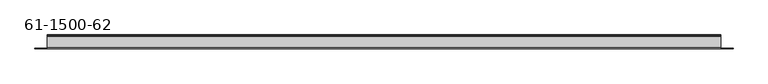
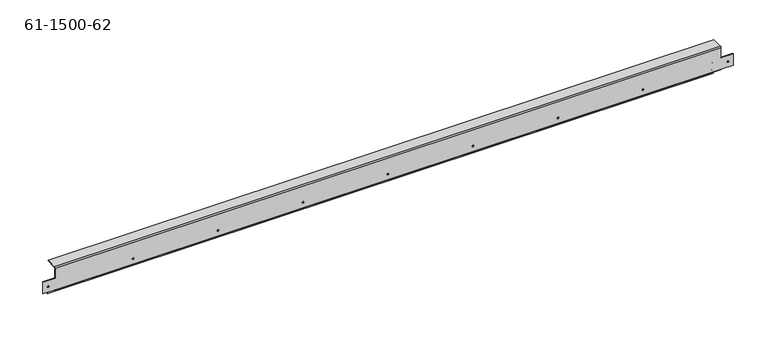
"""IFC4 building model written with IfcOpenShell, lengths in millimetres: proxy geometry, 61-1500-62."""

import ifcopenshell
import ifcopenshell.guid

model = None  # the IFC model being written
_history = None  # IfcOwnerHistory: only IFC2X3 demands one
_inside = {}  # id of a spatial element -> (the spatial element, [elements in it])
_under = {}  # id of a project, library or spatial element -> (it, [spatial elements below it])
_declared = {}  # id of a project -> (the project, [libraries it declares])
_typed = {}  # id of a type object -> (the type object, [elements of that type])
_made_of = {}  # id of a material, layer set ... -> (it, [elements and type objects made of it])


def new_model(schema):
    """Start an empty IFC model of exactly this schema.

    Asked for "IFC4X3", IfcOpenShell would pick the latest addendum, in which some entities
    have other attributes; the version numbers below select the first issue.
    IFC2X3 requires an IfcOwnerHistory on every rooted entity: one is made here for all.
    """
    global model, _history
    if schema == "IFC4X3":
        model = ifcopenshell.file(schema_version=(4, 3, 0, 0))
    else:
        model = ifcopenshell.file(schema=schema)
    _inside.clear()
    _under.clear()
    _declared.clear()
    _typed.clear()
    _made_of.clear()
    _history = None
    if model.schema == "IFC2X3":
        org = make("IfcOrganization", Name="unknown")
        user = make(
            "IfcPersonAndOrganization",
            ThePerson=make("IfcPerson", FamilyName="unknown"),
            TheOrganization=org,
        )
        app = make(
            "IfcApplication",
            ApplicationDeveloper=org,
            Version="unknown",
            ApplicationFullName="unknown",
            ApplicationIdentifier="unknown",
        )
        _history = make(
            "IfcOwnerHistory",
            OwningUser=user,
            OwningApplication=app,
            ChangeAction="ADDED",
            CreationDate=0,
        )
    return model


def make(cls, **values):
    """One entity of the class cls with the attributes given. An attribute that is None is left unset."""
    return model.create_entity(
        cls, **{name: value for name, value in values.items() if value is not None}
    )


def rooted(cls, **values):
    """An entity with a GlobalId (a new one), such as an element, a storey or a relation."""
    return make(cls, GlobalId=ifcopenshell.guid.new(), OwnerHistory=_history, **values)


def si_unit(unit_type, name, prefix=None):
    """IfcSIUnit, for example si_unit("LENGTHUNIT", "METRE", prefix="MILLI")."""
    return make("IfcSIUnit", UnitType=unit_type, Prefix=prefix, Name=name)


def assignment(units):
    """IfcUnitAssignment: the units of a project."""
    return None if units is None else make("IfcUnitAssignment", Units=units)


def point(xyz):
    """IfcCartesianPoint."""
    return None if xyz is None else make("IfcCartesianPoint", Coordinates=xyz)


def direction(xyz):
    """IfcDirection."""
    return None if xyz is None else make("IfcDirection", DirectionRatios=xyz)


def frame(location, z_axis=None, x_axis=None):
    """IfcAxis2Placement3D, a coordinate frame: its origin and axes. An axis left out is left unset."""
    return make(
        "IfcAxis2Placement3D",
        Location=point(location),
        Axis=direction(z_axis),
        RefDirection=direction(x_axis),
    )


def origin():
    """The frame at (0, 0, 0) with its axes left unset."""
    return frame((0.0, 0.0, 0.0))


def place(relative_to, where):
    """IfcLocalPlacement: puts the frame where relative to a parent placement (None: the world)."""
    return make(
        "IfcLocalPlacement", PlacementRelTo=relative_to, RelativePlacement=where
    )


def context(
    kind, dimensions, precision=None, world=None, true_north=None, identifier=None
):
    """IfcGeometricRepresentationContext, for example the 3D "Model" context."""
    return make(
        "IfcGeometricRepresentationContext",
        ContextIdentifier=identifier,
        ContextType=kind,
        CoordinateSpaceDimension=dimensions,
        Precision=precision,
        WorldCoordinateSystem=world,
        TrueNorth=true_north,
    )


def project(units=None, contexts=None):
    """IfcProject with its units and contexts."""
    return rooted(
        "IfcProject",
        Name="project",
        RepresentationContexts=contexts,
        UnitsInContext=assignment(units),
    )


def spatial(cls, under=None, at=None, **own):
    """A site, building, storey or space (cls), placed at a placement, below another one or the project."""
    s = rooted(cls, ObjectPlacement=at, **own)
    if under is not None:
        _under.setdefault(under.id(), (under, []))[1].append(s)
    return s


def polyline(points):
    """IfcPolyline through the points."""
    return make("IfcPolyline", Points=[point(p) for p in points])


def circle_curve(where, radius):
    """IfcCircle in the frame where."""
    return make("IfcCircle", Position=where, Radius=radius)


def shape(context_of_items, identifier, shape_type, items):
    """IfcShapeRepresentation: the items that make up one representation, for example the "Body"."""
    return make(
        "IfcShapeRepresentation",
        ContextOfItems=context_of_items,
        RepresentationIdentifier=identifier,
        RepresentationType=shape_type,
        Items=items,
    )


def source(mapping_origin, context_of_items, identifier, shape_type, items):
    """IfcRepresentationMap: a shape defined once, which mapped items show again and again."""
    return make(
        "IfcRepresentationMap",
        MappingOrigin=mapping_origin,
        MappedRepresentation=shape(context_of_items, identifier, shape_type, items),
    )


def transform(
    local_origin,
    x_axis=None,
    y_axis=None,
    z_axis=None,
    scale=None,
    scale2=None,
    scale3=None,
    uniform=True,
):
    """IfcCartesianTransformationOperator3D, or its non-uniform kind. x_axis, y_axis, z_axis: its Axis1, 2, 3."""
    if uniform:
        return make(
            "IfcCartesianTransformationOperator3D",
            Axis1=direction(x_axis),
            Axis2=direction(y_axis),
            LocalOrigin=point(local_origin),
            Scale=scale,
            Axis3=direction(z_axis),
        )
    return make(
        "IfcCartesianTransformationOperator3DnonUniform",
        Axis1=direction(x_axis),
        Axis2=direction(y_axis),
        LocalOrigin=point(local_origin),
        Scale=scale,
        Axis3=direction(z_axis),
        Scale2=scale2,
        Scale3=scale3,
    )


def mapped(mapping_source, mapping_target):
    """IfcMappedItem: shows the shape of a source again, moved by a transform."""
    return make(
        "IfcMappedItem", MappingSource=mapping_source, MappingTarget=mapping_target
    )


def made_of(thing, what):
    """Note that an element or type object is made of a material, layer set ...; save() writes the relation."""
    if what is not None:
        _made_of.setdefault(what.id(), (what, []))[1].append(thing)
    return thing


def element(
    cls,
    number,
    at=None,
    inside=None,
    cuts=None,
    type_object=None,
    material=None,
    context=None,
    identifier="Body",
    shape_type=None,
    held_by="IfcProductDefinitionShape",
    body=None,
    shapes=None,
    **own,
):
    """One element of the class cls, such as IfcWall. Its Tag is "e" and its number.

    at: its placement. inside: the storey or other place that contains it. cuts: it is an
    opening in that element (IfcRelVoidsElement). A single representation is given by context,
    identifier, shape_type and body (its items); several are given by shapes. held_by: the class
    of the entity that holds the representations. save() writes the other relations.
    """
    e = rooted(cls, Tag="e%d" % number, ObjectPlacement=at, **own)
    if body is not None:
        shapes = [shape(context, identifier, shape_type, body)]
    if shapes is not None:
        e.Representation = make(held_by, Representations=shapes)
    if inside is not None:
        _inside.setdefault(inside.id(), (inside, []))[1].append(e)
    if cuts is not None:
        rooted(
            "IfcRelVoidsElement", RelatingBuildingElement=cuts, RelatedOpeningElement=e
        )
    if type_object is not None:
        _typed.setdefault(type_object.id(), (type_object, []))[1].append(e)
    return made_of(e, material)


def aggregate(whole, parts):
    """IfcRelAggregates: a whole, such as a stair, and the parts it consists of."""
    return rooted("IfcRelAggregates", RelatingObject=whole, RelatedObjects=parts)


def save(model, path):
    """Write the relations noted so far, then the file.

    IfcRelAggregates (storeys below a building ...), IfcRelContainedInSpatialStructure (elements
    in a storey), IfcRelDefinesByType, IfcRelAssociatesMaterial and IfcRelDeclares: one each for
    every whole, place, type object, material and project.
    """
    for whole, parts in _under.values():
        aggregate(whole, parts)
    for where, things in _inside.values():
        rooted(
            "IfcRelContainedInSpatialStructure",
            RelatedElements=things,
            RelatingStructure=where,
        )
    for kind, things in _typed.values():
        rooted("IfcRelDefinesByType", RelatedObjects=things, RelatingType=kind)
    for what, things in _made_of.values():
        rooted("IfcRelAssociatesMaterial", RelatedObjects=things, RelatingMaterial=what)
    for by, libraries in _declared.values():
        rooted("IfcRelDeclares", RelatingContext=by, RelatedDefinitions=libraries)
    model.write(path)


def plane_surface(at):
    """IfcPlane: the flat surface through the origin of the frame at, square to its z axis."""
    return make("IfcPlane", Position=at)


def cylinder_surface(at, radius):
    """IfcCylindricalSurface: all points at the distance radius from the z axis of the frame at."""
    return make("IfcCylindricalSurface", Position=at, Radius=radius)


def revolved_surface(curve, axis_point, axis_direction):
    """IfcSurfaceOfRevolution: the curve turned about the line through axis_point along axis_direction."""
    return make(
        "IfcSurfaceOfRevolution",
        SweptCurve=make("IfcArbitraryOpenProfileDef", ProfileType="CURVE", Curve=curve),
        AxisPosition=make("IfcAxis1Placement", Location=point(axis_point), Axis=direction(axis_direction)),
    )


def advanced_brep(points, edges, surfaces, faces):
    """IfcAdvancedBrep: a solid bounded by faces that lie on surfaces and meet in shared edges.

    An edge is (start, end): straight between two places in points (the first is 0);
    or (start, end, curve); or (start, end, curve, False) where it runs against its curve.
    A face is (place in surfaces, loops), or (place, loops, False) where it looks against
    its surface's normal. A loop lists edges by number (the first is 1), with a minus sign
    where the edge is run from its end to its start. The first loop is the outer one.
    """
    corners = [point(p) for p in points]
    vertices = [make("IfcVertexPoint", VertexGeometry=c) for c in corners]
    made = []
    for start, end, *more in edges:
        made.append(
            make(
                "IfcEdgeCurve",
                EdgeStart=vertices[start],
                EdgeEnd=vertices[end],
                EdgeGeometry=more[0] if more else make("IfcPolyline", Points=[corners[start], corners[end]]),
                SameSense=more[1] if len(more) > 1 else True,
            )
        )
    hull = []
    for where, loops, *sense in faces:
        bounds = []
        for j, loop in enumerate(loops):
            ring = [make("IfcOrientedEdge", EdgeElement=made[abs(k) - 1], Orientation=k > 0) for k in loop]
            bounds.append(
                make(
                    "IfcFaceOuterBound" if j == 0 else "IfcFaceBound",
                    Bound=make("IfcEdgeLoop", EdgeList=ring),
                    Orientation=True,
                )
            )
        hull.append(make("IfcAdvancedFace", Bounds=bounds, FaceSurface=surfaces[where], SameSense=sense[0] if sense else True))
    return make("IfcAdvancedBrep", Outer=make("IfcClosedShell", CfsFaces=hull))


def proxy_61_1500_62_3a8eb80b(model_context):
    return source(origin(), model_context, "Body", "AdvancedBrep", [
        advanced_brep(
        [(351.0562817, 47.2527267, -13.40104), (351.0562817, 46.2468867, -13.40104), (344.7062817, 46.2468867, -13.40104), (344.7062817, 47.2527267, -13.40104), (295.6131617, 47.2527267, -13.40104), (295.6131617, 46.2468867, -13.40104), (289.2631617, 46.2468867, -13.40104), (289.2631617, 47.2527267, -13.40104), (-352.4246583, 47.2527267, -13.40104), (-352.4246583, 46.2468867, -13.40104), (-358.7746583, 46.2468867, -13.40104), (-358.7746583, 47.2527267, -13.40104), (999.0941017, 47.2527267, -13.40104), (999.0941017, 46.2468867, -13.40104), (992.7441017, 46.2468867, -13.40104), (992.7441017, 47.2527267, -13.40104), (944.6149117, 47.2527267, -11.09853), (944.6149117, 46.2468867, -11.09853), (941.1859117, 46.2468867, -11.09853), (941.1859117, 47.2527267, -11.09853), (665.2149117, 47.2527267, -11.09853), (665.2149117, 46.2468867, -11.09853), (661.7859117, 46.2468867, -11.09853), (661.7859117, 47.2527267, -11.09853), (385.8149117, 47.2527267, -11.09853), (385.8149117, 46.2468867, -11.09853), (382.3859117, 46.2468867, -11.09853), (382.3859117, 47.2527267, -11.09853), (118.2335317, 47.2527267, -11.09853), (118.2335317, 46.2468867, -11.09853), (114.8045317, 46.2468867, -11.09853), (114.8045317, 47.2527267, -11.09853), (-161.1664683, 47.2527267, -11.09853), (-161.1664683, 46.2468867, -11.09853), (-164.5954683, 46.2468867, -11.09853), (-164.5954683, 47.2527267, -11.09853), (-300.8664683, 47.2527267, -11.09853), (-300.8664683, 46.2468867, -11.09853), (-304.2954683, 46.2468867, -11.09853), (-304.2954683, 47.2527267, -11.09853), (-21.4664683, 47.2527267, -11.09853), (-21.4664683, 46.2468867, -11.09853), (-24.8954683, 46.2468867, -11.09853), (-24.8954683, 47.2527267, -11.09853), (257.9335317, 47.2527267, -11.09853), (257.9335317, 46.2468867, -11.09853), (254.5045317, 46.2468867, -11.09853), (254.5045317, 47.2527267, -11.09853), (525.5149117, 47.2527267, -11.09853), (525.5149117, 46.2468867, -11.09853), (522.0859117, 46.2468867, -11.09853), (522.0859117, 47.2527267, -11.09853), (804.9149117, 47.2527267, -11.09853), (804.9149117, 46.2468867, -11.09853), (801.4859117, 46.2468867, -11.09853), (801.4859117, 47.2527267, -11.09853), (238.4212517, 34.4003267, 0.0), (238.4212517, 34.4003267, 1.00584), (234.9922517, 34.4003267, 1.00584), (234.9922517, 34.4003267, 0.0), (-40.9787483, 34.4003267, 0.0), (-40.9787483, 34.4003267, 1.00584), (-44.4077483, 34.4003267, 1.00584), (-44.4077483, 34.4003267, 0.0), (-320.3787483, 34.4003267, 0.0), (-320.3787483, 34.4003267, 1.00584), (-323.8077483, 34.4003267, 1.00584), (-323.8077483, 34.4003267, 0.0), (545.0271917, 34.4003267, 0.0), (545.0271917, 34.4003267, 1.00584), (541.5981917, 34.4003267, 1.00584), (541.5981917, 34.4003267, 0.0), (824.4271917, 34.4003267, 0.0), (824.4271917, 34.4003267, 1.00584), (820.9981917, 34.4003267, 1.00584), (820.9981917, 34.4003267, 0.0), (964.1271917, 34.4003267, 0.0), (964.1271917, 34.4003267, 1.00584), (960.6981917, 34.4003267, 1.00584), (960.6981917, 34.4003267, 0.0), (684.7271917, 34.4003267, 0.0), (684.7271917, 34.4003267, 1.00584), (681.2981917, 34.4003267, 1.00584), (681.2981917, 34.4003267, 0.0), (405.3271917, 34.4003267, 0.0), (405.3271917, 34.4003267, 1.00584), (401.8981917, 34.4003267, 1.00584), (401.8981917, 34.4003267, 0.0), (-180.6787483, 34.4003267, 0.0), (-180.6787483, 34.4003267, 1.00584), (-184.1077483, 34.4003267, 1.00584), (-184.1077483, 34.4003267, 0.0), (98.7212517, 34.4003267, 0.0), (98.7212517, 34.4003267, 1.00584), (95.2922517, 34.4003267, 1.00584), (95.2922517, 34.4003267, 0.0), (1032.8837217, 19.3127267, 13.70584), (1032.8837217, 18.3068867, 13.70584), (1029.8357217, 18.3068867, 13.70584), (1029.8357217, 19.3127267, 13.70584), (677.2837217, 19.3127267, 13.70584), (677.2837217, 18.3068867, 13.70584), (674.2357217, 18.3068867, 13.70584), (674.2357217, 19.3127267, 13.70584), (321.6837217, 19.3127267, 13.70584), (321.6837217, 18.3068867, 13.70584), (318.6357217, 18.3068867, 13.70584), (318.6357217, 19.3127267, 13.70584), (-33.9162783, 19.3127267, 13.70584), (-33.9162783, 18.3068867, 13.70584), (-36.9642783, 18.3068867, 13.70584), (-36.9642783, 19.3127267, 13.70584), (-389.5162783, 19.3127267, 13.70584), (-389.5162783, 18.3068867, 13.70584), (-392.5642783, 18.3068867, 13.70584), (-392.5642783, 19.3127267, 13.70584), (-211.7162783, 19.3127267, 13.70584), (-211.7162783, 18.3068867, 13.70584), (-214.7642783, 18.3068867, 13.70584), (-214.7642783, 19.3127267, 13.70584), (143.8837217, 19.3127267, 13.70584), (143.8837217, 18.3068867, 13.70584), (140.8357217, 18.3068867, 13.70584), (140.8357217, 19.3127267, 13.70584), (499.4837217, 19.3127267, 13.70584), (499.4837217, 18.3068867, 13.70584), (496.4357217, 18.3068867, 13.70584), (496.4357217, 19.3127267, 13.70584), (855.0837217, 19.3127267, 13.70584), (855.0837217, 18.3068867, 13.70584), (852.0357217, 18.3068867, 13.70584), (852.0357217, 19.3127267, 13.70584), (1042.3198217, 19.3127267, 2.01168), (1042.3198217, 19.3127267, 27.41168), (1042.3198217, 18.3068867, 27.41168), (1042.3198217, 18.3068867, 2.01168), (1016.9198217, 19.3127267, 27.41168), (1016.9198217, 18.3068867, 27.41168), (1016.9198217, 19.3127267, 2.01168), (1016.9198217, 18.3068867, 2.01168), (-376.6003783, 19.3127267, 27.41168), (-402.0003783, 19.3127267, 27.41168), (-402.0003783, 18.3068867, 27.41168), (-376.6003783, 18.3068867, 27.41168), (-402.0003783, 19.3127267, 2.01168), (-402.0003783, 18.3068867, 2.01168), (-376.6003783, 19.3127267, 2.01168), (-376.6003783, 18.3068867, 2.01168), (1016.9198217, 19.3127267, 49.4157), (1016.9198217, 20.3185667, 50.42154), (1016.9198217, 43.7068867, 50.42154), (1016.9198217, 43.7068867, 51.42738), (1016.9198217, 20.3185667, 51.42738), (1016.9198217, 18.3068867, 49.4157), (1016.9198217, 20.3185667, 0.0), (1016.9198217, 45.2410467, 0.0), (1016.9198217, 46.2468867, -1.00584), (1016.9198217, 46.2468867, -10.22604), (1016.9198217, 47.2527267, -10.22604), (1016.9198217, 47.2527267, -1.00584), (1016.9198217, 45.2410467, 1.00584), (1016.9198217, 20.3185667, 1.00584), (-376.6003783, 20.3185667, 1.00584), (-376.6003783, 45.2410467, 1.00584), (-376.6003783, 47.2527267, -1.00584), (-376.6003783, 47.2527267, -24.39416), (-376.6003783, 46.2468867, -24.39416), (-376.6003783, 46.2468867, -1.00584), (-376.6003783, 45.2410467, 0.0), (-376.6003783, 20.3185667, 0.0), (-376.6003783, 18.3068867, 49.4157), (-376.6003783, 20.3185667, 51.42738), (-376.6003783, 43.7068867, 51.42738), (-376.6003783, 43.7068867, 50.42154), (-376.6003783, 20.3185667, 50.42154), (-376.6003783, 19.3127267, 49.4157), (1016.9198217, 46.2468867, -16.57604), (1016.9198217, 47.2527267, -16.57604), (1016.9198217, 46.2468867, -24.39416), (1016.9198217, 47.2527267, -24.39416)],
        [
            (0, 1),
            (1, 2, circle_curve(frame((347.8812817, 46.2468867, -13.40104), z_axis=(0.0, -1.0, 0.0), x_axis=(1.0, 0.0, 0.0)), 3.175)),
            (2, 3),
            (3, 0, circle_curve(frame((347.8812817, 47.2527267, -13.40104), z_axis=(0.0, 1.0, 0.0), x_axis=(1.0, 0.0, 0.0)), 3.175)),
            (4, 5),
            (5, 6, circle_curve(frame((292.4381617, 46.2468867, -13.40104), z_axis=(0.0, -1.0, 0.0), x_axis=(1.0, 0.0, 0.0)), 3.175)),
            (6, 7),
            (7, 4, circle_curve(frame((292.4381617, 47.2527267, -13.40104), z_axis=(0.0, 1.0, 0.0), x_axis=(1.0, 0.0, 0.0)), 3.175)),
            (8, 9),
            (9, 10, circle_curve(frame((-355.5996583, 46.2468867, -13.40104), z_axis=(0.0, -1.0, 0.0), x_axis=(1.0, 0.0, 0.0)), 3.175)),
            (10, 11),
            (11, 8, circle_curve(frame((-355.5996583, 47.2527267, -13.40104), z_axis=(0.0, 1.0, 0.0), x_axis=(1.0, 0.0, 0.0)), 3.175)),
            (12, 13),
            (13, 14, circle_curve(frame((995.9191017, 46.2468867, -13.40104), z_axis=(0.0, -1.0, 0.0), x_axis=(1.0, 0.0, 0.0)), 3.175)),
            (14, 15),
            (15, 12, circle_curve(frame((995.9191017, 47.2527267, -13.40104), z_axis=(0.0, 1.0, 0.0), x_axis=(1.0, 0.0, 0.0)), 3.175)),
            (16, 17),
            (17, 18, circle_curve(frame((942.9004117, 46.2468867, -11.09853), z_axis=(0.0, -1.0, 0.0), x_axis=(1.0, 0.0, 0.0)), 1.7145)),
            (18, 19),
            (19, 16, circle_curve(frame((942.9004117, 47.2527267, -11.09853), z_axis=(0.0, 1.0, 0.0), x_axis=(1.0, 0.0, 0.0)), 1.7145)),
            (20, 21),
            (21, 22, circle_curve(frame((663.5004117, 46.2468867, -11.09853), z_axis=(0.0, -1.0, 0.0), x_axis=(1.0, 0.0, 0.0)), 1.7145)),
            (22, 23),
            (23, 20, circle_curve(frame((663.5004117, 47.2527267, -11.09853), z_axis=(0.0, 1.0, 0.0), x_axis=(1.0, 0.0, 0.0)), 1.7145)),
            (24, 25),
            (25, 26, circle_curve(frame((384.1004117, 46.2468867, -11.09853), z_axis=(0.0, -1.0, 0.0), x_axis=(1.0, 0.0, 0.0)), 1.7145)),
            (26, 27),
            (27, 24, circle_curve(frame((384.1004117, 47.2527267, -11.09853), z_axis=(0.0, 1.0, 0.0), x_axis=(1.0, 0.0, 0.0)), 1.7145)),
            (28, 29),
            (29, 30, circle_curve(frame((116.5190317, 46.2468867, -11.09853), z_axis=(0.0, -1.0, 0.0), x_axis=(1.0, 0.0, 0.0)), 1.7145)),
            (30, 31),
            (31, 28, circle_curve(frame((116.5190317, 47.2527267, -11.09853), z_axis=(0.0, 1.0, 0.0), x_axis=(1.0, 0.0, 0.0)), 1.7145)),
            (32, 33),
            (33, 34, circle_curve(frame((-162.8809683, 46.2468867, -11.09853), z_axis=(0.0, -1.0, 0.0), x_axis=(1.0, 0.0, 0.0)), 1.7145)),
            (34, 35),
            (35, 32, circle_curve(frame((-162.8809683, 47.2527267, -11.09853), z_axis=(0.0, 1.0, 0.0), x_axis=(1.0, 0.0, 0.0)), 1.7145)),
            (36, 37),
            (37, 38, circle_curve(frame((-302.5809683, 46.2468867, -11.09853), z_axis=(0.0, -1.0, 0.0), x_axis=(1.0, 0.0, 0.0)), 1.7145)),
            (38, 39),
            (39, 36, circle_curve(frame((-302.5809683, 47.2527267, -11.09853), z_axis=(0.0, 1.0, 0.0), x_axis=(1.0, 0.0, 0.0)), 1.7145)),
            (40, 41),
            (41, 42, circle_curve(frame((-23.1809683, 46.2468867, -11.09853), z_axis=(0.0, -1.0, 0.0), x_axis=(1.0, 0.0, 0.0)), 1.7145)),
            (42, 43),
            (43, 40, circle_curve(frame((-23.1809683, 47.2527267, -11.09853), z_axis=(0.0, 1.0, 0.0), x_axis=(1.0, 0.0, 0.0)), 1.7145)),
            (44, 45),
            (45, 46, circle_curve(frame((256.2190317, 46.2468867, -11.09853), z_axis=(0.0, -1.0, 0.0), x_axis=(1.0, 0.0, 0.0)), 1.7145)),
            (46, 47),
            (47, 44, circle_curve(frame((256.2190317, 47.2527267, -11.09853), z_axis=(0.0, 1.0, 0.0), x_axis=(1.0, 0.0, 0.0)), 1.7145)),
            (48, 49),
            (49, 50, circle_curve(frame((523.8004117, 46.2468867, -11.09853), z_axis=(0.0, -1.0, 0.0), x_axis=(1.0, 0.0, 0.0)), 1.7145)),
            (50, 51),
            (51, 48, circle_curve(frame((523.8004117, 47.2527267, -11.09853), z_axis=(0.0, 1.0, 0.0), x_axis=(1.0, 0.0, 0.0)), 1.7145)),
            (52, 53),
            (53, 54, circle_curve(frame((803.2004117, 46.2468867, -11.09853), z_axis=(0.0, -1.0, 0.0), x_axis=(1.0, 0.0, 0.0)), 1.7145)),
            (54, 55),
            (55, 52, circle_curve(frame((803.2004117, 47.2527267, -11.09853), z_axis=(0.0, 1.0, 0.0), x_axis=(1.0, 0.0, 0.0)), 1.7145)),
            (56, 57),
            (57, 58, circle_curve(frame((236.7067517, 34.4003267, 1.00584), z_axis=(0.0, 0.0, 1.0), x_axis=(1.0, 0.0, 0.0)), 1.7145)),
            (58, 59),
            (59, 56, circle_curve(frame((236.7067517, 34.4003267, 0.0), z_axis=(0.0, 0.0, -1.0), x_axis=(1.0, 0.0, 0.0)), 1.7145)),
            (60, 61),
            (61, 62, circle_curve(frame((-42.6932483, 34.4003267, 1.00584), z_axis=(0.0, 0.0, 1.0), x_axis=(1.0, 0.0, 0.0)), 1.7145)),
            (62, 63),
            (63, 60, circle_curve(frame((-42.6932483, 34.4003267, 0.0), z_axis=(0.0, 0.0, -1.0), x_axis=(1.0, 0.0, 0.0)), 1.7145)),
            (64, 65),
            (65, 66, circle_curve(frame((-322.0932483, 34.4003267, 1.00584), z_axis=(0.0, 0.0, 1.0), x_axis=(1.0, 0.0, 0.0)), 1.7145)),
            (66, 67),
            (67, 64, circle_curve(frame((-322.0932483, 34.4003267, 0.0), z_axis=(0.0, 0.0, -1.0), x_axis=(1.0, 0.0, 0.0)), 1.7145)),
            (68, 69),
            (69, 70, circle_curve(frame((543.3126917, 34.4003267, 1.00584), z_axis=(0.0, 0.0, 1.0), x_axis=(1.0, 0.0, 0.0)), 1.7145)),
            (70, 71),
            (71, 68, circle_curve(frame((543.3126917, 34.4003267, 0.0), z_axis=(0.0, 0.0, -1.0), x_axis=(1.0, 0.0, 0.0)), 1.7145)),
            (72, 73),
            (73, 74, circle_curve(frame((822.7126917, 34.4003267, 1.00584), z_axis=(0.0, 0.0, 1.0), x_axis=(1.0, 0.0, 0.0)), 1.7145)),
            (74, 75),
            (75, 72, circle_curve(frame((822.7126917, 34.4003267, 0.0), z_axis=(0.0, 0.0, -1.0), x_axis=(1.0, 0.0, 0.0)), 1.7145)),
            (76, 77),
            (77, 78, circle_curve(frame((962.4126917, 34.4003267, 1.00584), z_axis=(0.0, 0.0, 1.0), x_axis=(1.0, 0.0, 0.0)), 1.7145)),
            (78, 79),
            (79, 76, circle_curve(frame((962.4126917, 34.4003267, 0.0), z_axis=(0.0, 0.0, -1.0), x_axis=(1.0, 0.0, 0.0)), 1.7145)),
            (80, 81),
            (81, 82, circle_curve(frame((683.0126917, 34.4003267, 1.00584), z_axis=(0.0, 0.0, 1.0), x_axis=(1.0, 0.0, 0.0)), 1.7145)),
            (82, 83),
            (83, 80, circle_curve(frame((683.0126917, 34.4003267, 0.0), z_axis=(0.0, 0.0, -1.0), x_axis=(1.0, 0.0, 0.0)), 1.7145)),
            (84, 85),
            (85, 86, circle_curve(frame((403.6126917, 34.4003267, 1.00584), z_axis=(0.0, 0.0, 1.0), x_axis=(1.0, 0.0, 0.0)), 1.7145)),
            (86, 87),
            (87, 84, circle_curve(frame((403.6126917, 34.4003267, 0.0), z_axis=(0.0, 0.0, -1.0), x_axis=(1.0, 0.0, 0.0)), 1.7145)),
            (88, 89),
            (89, 90, circle_curve(frame((-182.3932483, 34.4003267, 1.00584), z_axis=(0.0, 0.0, 1.0), x_axis=(1.0, 0.0, 0.0)), 1.7145)),
            (90, 91),
            (91, 88, circle_curve(frame((-182.3932483, 34.4003267, 0.0), z_axis=(0.0, 0.0, -1.0), x_axis=(1.0, 0.0, 0.0)), 1.7145)),
            (92, 93),
            (93, 94, circle_curve(frame((97.0067517, 34.4003267, 1.00584), z_axis=(0.0, 0.0, 1.0), x_axis=(1.0, 0.0, 0.0)), 1.7145)),
            (94, 95),
            (95, 92, circle_curve(frame((97.0067517, 34.4003267, 0.0), z_axis=(0.0, 0.0, -1.0), x_axis=(1.0, 0.0, 0.0)), 1.7145)),
            (96, 97),
            (97, 98, circle_curve(frame((1031.3597217, 18.3068867, 13.70584), z_axis=(0.0, -1.0, 0.0), x_axis=(1.0, 0.0, 0.0)), 1.524)),
            (98, 99),
            (99, 96, circle_curve(frame((1031.3597217, 19.3127267, 13.70584), z_axis=(0.0, 1.0, 0.0), x_axis=(1.0, 0.0, 0.0)), 1.524)),
            (100, 101),
            (101, 102, circle_curve(frame((675.7597217, 18.3068867, 13.70584), z_axis=(0.0, -1.0, 0.0), x_axis=(1.0, 0.0, 0.0)), 1.524)),
            (102, 103),
            (103, 100, circle_curve(frame((675.7597217, 19.3127267, 13.70584), z_axis=(0.0, 1.0, 0.0), x_axis=(1.0, 0.0, 0.0)), 1.524)),
            (104, 105),
            (105, 106, circle_curve(frame((320.1597217, 18.3068867, 13.70584), z_axis=(0.0, -1.0, 0.0), x_axis=(1.0, 0.0, 0.0)), 1.524)),
            (106, 107),
            (107, 104, circle_curve(frame((320.1597217, 19.3127267, 13.70584), z_axis=(0.0, 1.0, 0.0), x_axis=(1.0, 0.0, 0.0)), 1.524)),
            (108, 109),
            (109, 110, circle_curve(frame((-35.4402783, 18.3068867, 13.70584), z_axis=(0.0, -1.0, 0.0), x_axis=(1.0, 0.0, 0.0)), 1.524)),
            (110, 111),
            (111, 108, circle_curve(frame((-35.4402783, 19.3127267, 13.70584), z_axis=(0.0, 1.0, 0.0), x_axis=(1.0, 0.0, 0.0)), 1.524)),
            (112, 113),
            (113, 114, circle_curve(frame((-391.0402783, 18.3068867, 13.70584), z_axis=(0.0, -1.0, 0.0), x_axis=(1.0, 0.0, 0.0)), 1.524)),
            (114, 115),
            (115, 112, circle_curve(frame((-391.0402783, 19.3127267, 13.70584), z_axis=(0.0, 1.0, 0.0), x_axis=(1.0, 0.0, 0.0)), 1.524)),
            (116, 117),
            (117, 118, circle_curve(frame((-213.2402783, 18.3068867, 13.70584), z_axis=(0.0, -1.0, 0.0), x_axis=(1.0, 0.0, 0.0)), 1.524)),
            (118, 119),
            (119, 116, circle_curve(frame((-213.2402783, 19.3127267, 13.70584), z_axis=(0.0, 1.0, 0.0), x_axis=(1.0, 0.0, 0.0)), 1.524)),
            (120, 121),
            (121, 122, circle_curve(frame((142.3597217, 18.3068867, 13.70584), z_axis=(0.0, -1.0, 0.0), x_axis=(1.0, 0.0, 0.0)), 1.524)),
            (122, 123),
            (123, 120, circle_curve(frame((142.3597217, 19.3127267, 13.70584), z_axis=(0.0, 1.0, 0.0), x_axis=(1.0, 0.0, 0.0)), 1.524)),
            (124, 125),
            (125, 126, circle_curve(frame((497.9597217, 18.3068867, 13.70584), z_axis=(0.0, -1.0, 0.0), x_axis=(1.0, 0.0, 0.0)), 1.524)),
            (126, 127),
            (127, 124, circle_curve(frame((497.9597217, 19.3127267, 13.70584), z_axis=(0.0, 1.0, 0.0), x_axis=(1.0, 0.0, 0.0)), 1.524)),
            (128, 129),
            (129, 130, circle_curve(frame((853.5597217, 18.3068867, 13.70584), z_axis=(0.0, -1.0, 0.0), x_axis=(1.0, 0.0, 0.0)), 1.524)),
            (130, 131),
            (131, 128, circle_curve(frame((853.5597217, 19.3127267, 13.70584), z_axis=(0.0, 1.0, 0.0), x_axis=(1.0, 0.0, 0.0)), 1.524)),
            (128, 131, circle_curve(frame((853.5597217, 19.3127267, 13.70584), z_axis=(0.0, 1.0, 0.0), x_axis=(1.0, 0.0, 0.0)), 1.524)),
            (130, 129, circle_curve(frame((853.5597217, 18.3068867, 13.70584), z_axis=(0.0, -1.0, 0.0), x_axis=(1.0, 0.0, 0.0)), 1.524)),
            (124, 127, circle_curve(frame((497.9597217, 19.3127267, 13.70584), z_axis=(0.0, 1.0, 0.0), x_axis=(1.0, 0.0, 0.0)), 1.524)),
            (126, 125, circle_curve(frame((497.9597217, 18.3068867, 13.70584), z_axis=(0.0, -1.0, 0.0), x_axis=(1.0, 0.0, 0.0)), 1.524)),
            (120, 123, circle_curve(frame((142.3597217, 19.3127267, 13.70584), z_axis=(0.0, 1.0, 0.0), x_axis=(1.0, 0.0, 0.0)), 1.524)),
            (122, 121, circle_curve(frame((142.3597217, 18.3068867, 13.70584), z_axis=(0.0, -1.0, 0.0), x_axis=(1.0, 0.0, 0.0)), 1.524)),
            (116, 119, circle_curve(frame((-213.2402783, 19.3127267, 13.70584), z_axis=(0.0, 1.0, 0.0), x_axis=(1.0, 0.0, 0.0)), 1.524)),
            (118, 117, circle_curve(frame((-213.2402783, 18.3068867, 13.70584), z_axis=(0.0, -1.0, 0.0), x_axis=(1.0, 0.0, 0.0)), 1.524)),
            (112, 115, circle_curve(frame((-391.0402783, 19.3127267, 13.70584), z_axis=(0.0, 1.0, 0.0), x_axis=(1.0, 0.0, 0.0)), 1.524)),
            (114, 113, circle_curve(frame((-391.0402783, 18.3068867, 13.70584), z_axis=(0.0, -1.0, 0.0), x_axis=(1.0, 0.0, 0.0)), 1.524)),
            (108, 111, circle_curve(frame((-35.4402783, 19.3127267, 13.70584), z_axis=(0.0, 1.0, 0.0), x_axis=(1.0, 0.0, 0.0)), 1.524)),
            (110, 109, circle_curve(frame((-35.4402783, 18.3068867, 13.70584), z_axis=(0.0, -1.0, 0.0), x_axis=(1.0, 0.0, 0.0)), 1.524)),
            (104, 107, circle_curve(frame((320.1597217, 19.3127267, 13.70584), z_axis=(0.0, 1.0, 0.0), x_axis=(1.0, 0.0, 0.0)), 1.524)),
            (106, 105, circle_curve(frame((320.1597217, 18.3068867, 13.70584), z_axis=(0.0, -1.0, 0.0), x_axis=(1.0, 0.0, 0.0)), 1.524)),
            (100, 103, circle_curve(frame((675.7597217, 19.3127267, 13.70584), z_axis=(0.0, 1.0, 0.0), x_axis=(1.0, 0.0, 0.0)), 1.524)),
            (102, 101, circle_curve(frame((675.7597217, 18.3068867, 13.70584), z_axis=(0.0, -1.0, 0.0), x_axis=(1.0, 0.0, 0.0)), 1.524)),
            (96, 99, circle_curve(frame((1031.3597217, 19.3127267, 13.70584), z_axis=(0.0, 1.0, 0.0), x_axis=(1.0, 0.0, 0.0)), 1.524)),
            (98, 97, circle_curve(frame((1031.3597217, 18.3068867, 13.70584), z_axis=(0.0, -1.0, 0.0), x_axis=(1.0, 0.0, 0.0)), 1.524)),
            (132, 133),
            (133, 134),
            (134, 135),
            (135, 132),
            (133, 136),
            (136, 137),
            (137, 134),
            (138, 132),
            (135, 139),
            (139, 138),
            (140, 141),
            (141, 142),
            (142, 143),
            (143, 140),
            (141, 144),
            (144, 145),
            (145, 142),
            (144, 146),
            (146, 147),
            (147, 145),
            (136, 148),
            (148, 149, circle_curve(frame((1016.9198217, 20.3185667, 49.4157), z_axis=(-1.0, 0.0, 0.0), x_axis=(0.0, -1.0, 0.0)), 1.00584)),
            (149, 150),
            (150, 151),
            (151, 152),
            (152, 153, circle_curve(frame((1016.9198217, 20.3185667, 49.4157), z_axis=(1.0, 0.0, 0.0), x_axis=(0.0, -1.0, 0.0)), 2.01168)),
            (153, 137),
            (139, 154, circle_curve(frame((1016.9198217, 20.3185667, 2.01168), z_axis=(1.0, 0.0, 0.0), x_axis=(0.0, 0.0, -1.0)), 2.01168)),
            (154, 155),
            (155, 156, circle_curve(frame((1016.9198217, 45.2410467, -1.00584), z_axis=(-1.0, 0.0, 0.0), x_axis=(0.0, 0.0, 1.0)), 1.00584)),
            (156, 157),
            (157, 158),
            (158, 159),
            (159, 160, circle_curve(frame((1016.9198217, 45.2410467, -1.00584), z_axis=(1.0, 0.0, 0.0), x_axis=(0.0, 0.0, 1.0)), 2.01168)),
            (160, 161),
            (161, 138, circle_curve(frame((1016.9198217, 20.3185667, 2.01168), z_axis=(-1.0, 0.0, 0.0), x_axis=(0.0, 0.0, -1.0)), 1.00584)),
            (146, 162, circle_curve(frame((-376.6003783, 20.3185667, 2.01168), z_axis=(1.0, 0.0, 0.0), x_axis=(0.0, 0.0, -1.0)), 1.00584)),
            (162, 163),
            (163, 164, circle_curve(frame((-376.6003783, 45.2410467, -1.00584), z_axis=(-1.0, 0.0, 0.0), x_axis=(0.0, 0.0, 1.0)), 2.01168)),
            (164, 165),
            (165, 166),
            (166, 167),
            (167, 168, circle_curve(frame((-376.6003783, 45.2410467, -1.00584), z_axis=(1.0, 0.0, 0.0), x_axis=(0.0, 0.0, 1.0)), 1.00584)),
            (168, 169),
            (169, 147, circle_curve(frame((-376.6003783, 20.3185667, 2.01168), z_axis=(-1.0, 0.0, 0.0), x_axis=(0.0, 0.0, -1.0)), 2.01168)),
            (143, 170),
            (170, 171, circle_curve(frame((-376.6003783, 20.3185667, 49.4157), z_axis=(-1.0, 0.0, 0.0), x_axis=(0.0, -1.0, 0.0)), 2.01168)),
            (171, 172),
            (172, 173),
            (173, 174),
            (174, 175, circle_curve(frame((-376.6003783, 20.3185667, 49.4157), z_axis=(1.0, 0.0, 0.0), x_axis=(0.0, -1.0, 0.0)), 1.00584)),
            (175, 140),
            (92, 95, circle_curve(frame((97.0067517, 34.4003267, 0.0), z_axis=(0.0, 0.0, -1.0), x_axis=(1.0, 0.0, 0.0)), 1.7145)),
            (94, 93, circle_curve(frame((97.0067517, 34.4003267, 1.00584), z_axis=(0.0, 0.0, 1.0), x_axis=(1.0, 0.0, 0.0)), 1.7145)),
            (88, 91, circle_curve(frame((-182.3932483, 34.4003267, 0.0), z_axis=(0.0, 0.0, -1.0), x_axis=(1.0, 0.0, 0.0)), 1.7145)),
            (90, 89, circle_curve(frame((-182.3932483, 34.4003267, 1.00584), z_axis=(0.0, 0.0, 1.0), x_axis=(1.0, 0.0, 0.0)), 1.7145)),
            (84, 87, circle_curve(frame((403.6126917, 34.4003267, 0.0), z_axis=(0.0, 0.0, -1.0), x_axis=(1.0, 0.0, 0.0)), 1.7145)),
            (86, 85, circle_curve(frame((403.6126917, 34.4003267, 1.00584), z_axis=(0.0, 0.0, 1.0), x_axis=(1.0, 0.0, 0.0)), 1.7145)),
            (80, 83, circle_curve(frame((683.0126917, 34.4003267, 0.0), z_axis=(0.0, 0.0, -1.0), x_axis=(1.0, 0.0, 0.0)), 1.7145)),
            (82, 81, circle_curve(frame((683.0126917, 34.4003267, 1.00584), z_axis=(0.0, 0.0, 1.0), x_axis=(1.0, 0.0, 0.0)), 1.7145)),
            (76, 79, circle_curve(frame((962.4126917, 34.4003267, 0.0), z_axis=(0.0, 0.0, -1.0), x_axis=(1.0, 0.0, 0.0)), 1.7145)),
            (78, 77, circle_curve(frame((962.4126917, 34.4003267, 1.00584), z_axis=(0.0, 0.0, 1.0), x_axis=(1.0, 0.0, 0.0)), 1.7145)),
            (72, 75, circle_curve(frame((822.7126917, 34.4003267, 0.0), z_axis=(0.0, 0.0, -1.0), x_axis=(1.0, 0.0, 0.0)), 1.7145)),
            (74, 73, circle_curve(frame((822.7126917, 34.4003267, 1.00584), z_axis=(0.0, 0.0, 1.0), x_axis=(1.0, 0.0, 0.0)), 1.7145)),
            (68, 71, circle_curve(frame((543.3126917, 34.4003267, 0.0), z_axis=(0.0, 0.0, -1.0), x_axis=(1.0, 0.0, 0.0)), 1.7145)),
            (70, 69, circle_curve(frame((543.3126917, 34.4003267, 1.00584), z_axis=(0.0, 0.0, 1.0), x_axis=(1.0, 0.0, 0.0)), 1.7145)),
            (64, 67, circle_curve(frame((-322.0932483, 34.4003267, 0.0), z_axis=(0.0, 0.0, -1.0), x_axis=(1.0, 0.0, 0.0)), 1.7145)),
            (66, 65, circle_curve(frame((-322.0932483, 34.4003267, 1.00584), z_axis=(0.0, 0.0, 1.0), x_axis=(1.0, 0.0, 0.0)), 1.7145)),
            (60, 63, circle_curve(frame((-42.6932483, 34.4003267, 0.0), z_axis=(0.0, 0.0, -1.0), x_axis=(1.0, 0.0, 0.0)), 1.7145)),
            (62, 61, circle_curve(frame((-42.6932483, 34.4003267, 1.00584), z_axis=(0.0, 0.0, 1.0), x_axis=(1.0, 0.0, 0.0)), 1.7145)),
            (56, 59, circle_curve(frame((236.7067517, 34.4003267, 0.0), z_axis=(0.0, 0.0, -1.0), x_axis=(1.0, 0.0, 0.0)), 1.7145)),
            (58, 57, circle_curve(frame((236.7067517, 34.4003267, 1.00584), z_axis=(0.0, 0.0, 1.0), x_axis=(1.0, 0.0, 0.0)), 1.7145)),
            (152, 171),
            (170, 153),
            (174, 149),
            (148, 175),
            (147, 139),
            (169, 154),
            (146, 138),
            (161, 162),
            (160, 163),
            (52, 55, circle_curve(frame((803.2004117, 47.2527267, -11.09853), z_axis=(0.0, 1.0, 0.0), x_axis=(1.0, 0.0, 0.0)), 1.7145)),
            (54, 53, circle_curve(frame((803.2004117, 46.2468867, -11.09853), z_axis=(0.0, -1.0, 0.0), x_axis=(1.0, 0.0, 0.0)), 1.7145)),
            (48, 51, circle_curve(frame((523.8004117, 47.2527267, -11.09853), z_axis=(0.0, 1.0, 0.0), x_axis=(1.0, 0.0, 0.0)), 1.7145)),
            (50, 49, circle_curve(frame((523.8004117, 46.2468867, -11.09853), z_axis=(0.0, -1.0, 0.0), x_axis=(1.0, 0.0, 0.0)), 1.7145)),
            (44, 47, circle_curve(frame((256.2190317, 47.2527267, -11.09853), z_axis=(0.0, 1.0, 0.0), x_axis=(1.0, 0.0, 0.0)), 1.7145)),
            (46, 45, circle_curve(frame((256.2190317, 46.2468867, -11.09853), z_axis=(0.0, -1.0, 0.0), x_axis=(1.0, 0.0, 0.0)), 1.7145)),
            (40, 43, circle_curve(frame((-23.1809683, 47.2527267, -11.09853), z_axis=(0.0, 1.0, 0.0), x_axis=(1.0, 0.0, 0.0)), 1.7145)),
            (42, 41, circle_curve(frame((-23.1809683, 46.2468867, -11.09853), z_axis=(0.0, -1.0, 0.0), x_axis=(1.0, 0.0, 0.0)), 1.7145)),
            (36, 39, circle_curve(frame((-302.5809683, 47.2527267, -11.09853), z_axis=(0.0, 1.0, 0.0), x_axis=(1.0, 0.0, 0.0)), 1.7145)),
            (38, 37, circle_curve(frame((-302.5809683, 46.2468867, -11.09853), z_axis=(0.0, -1.0, 0.0), x_axis=(1.0, 0.0, 0.0)), 1.7145)),
            (32, 35, circle_curve(frame((-162.8809683, 47.2527267, -11.09853), z_axis=(0.0, 1.0, 0.0), x_axis=(1.0, 0.0, 0.0)), 1.7145)),
            (34, 33, circle_curve(frame((-162.8809683, 46.2468867, -11.09853), z_axis=(0.0, -1.0, 0.0), x_axis=(1.0, 0.0, 0.0)), 1.7145)),
            (28, 31, circle_curve(frame((116.5190317, 47.2527267, -11.09853), z_axis=(0.0, 1.0, 0.0), x_axis=(1.0, 0.0, 0.0)), 1.7145)),
            (30, 29, circle_curve(frame((116.5190317, 46.2468867, -11.09853), z_axis=(0.0, -1.0, 0.0), x_axis=(1.0, 0.0, 0.0)), 1.7145)),
            (24, 27, circle_curve(frame((384.1004117, 47.2527267, -11.09853), z_axis=(0.0, 1.0, 0.0), x_axis=(1.0, 0.0, 0.0)), 1.7145)),
            (26, 25, circle_curve(frame((384.1004117, 46.2468867, -11.09853), z_axis=(0.0, -1.0, 0.0), x_axis=(1.0, 0.0, 0.0)), 1.7145)),
            (20, 23, circle_curve(frame((663.5004117, 47.2527267, -11.09853), z_axis=(0.0, 1.0, 0.0), x_axis=(1.0, 0.0, 0.0)), 1.7145)),
            (22, 21, circle_curve(frame((663.5004117, 46.2468867, -11.09853), z_axis=(0.0, -1.0, 0.0), x_axis=(1.0, 0.0, 0.0)), 1.7145)),
            (16, 19, circle_curve(frame((942.9004117, 47.2527267, -11.09853), z_axis=(0.0, 1.0, 0.0), x_axis=(1.0, 0.0, 0.0)), 1.7145)),
            (18, 17, circle_curve(frame((942.9004117, 46.2468867, -11.09853), z_axis=(0.0, -1.0, 0.0), x_axis=(1.0, 0.0, 0.0)), 1.7145)),
            (12, 15, circle_curve(frame((995.9191017, 47.2527267, -13.40104), z_axis=(0.0, 1.0, 0.0), x_axis=(1.0, 0.0, 0.0)), 3.175)),
            (14, 13, circle_curve(frame((995.9191017, 46.2468867, -13.40104), z_axis=(0.0, -1.0, 0.0), x_axis=(1.0, 0.0, 0.0)), 3.175)),
            (8, 11, circle_curve(frame((-355.5996583, 47.2527267, -13.40104), z_axis=(0.0, 1.0, 0.0), x_axis=(1.0, 0.0, 0.0)), 3.175)),
            (10, 9, circle_curve(frame((-355.5996583, 46.2468867, -13.40104), z_axis=(0.0, -1.0, 0.0), x_axis=(1.0, 0.0, 0.0)), 3.175)),
            (176, 177),
            (177, 158, circle_curve(frame((1016.9198217, 47.2527267, -13.40104), z_axis=(0.0, 1.0, 0.0), x_axis=(-1.0, 0.0, 0.0)), 3.175)),
            (157, 176, circle_curve(frame((1016.9198217, 46.2468867, -13.40104), z_axis=(0.0, -1.0, 0.0), x_axis=(-1.0, 0.0, 0.0)), 3.175)),
            (156, 167),
            (166, 178),
            (178, 176),
            (1, 2, circle_curve(frame((347.8812817, 46.2468867, -13.40104), z_axis=(0.0, 1.0, 0.0), x_axis=(1.0, 0.0, 0.0)), 3.175)),
            (5, 6, circle_curve(frame((292.4381617, 46.2468867, -13.40104), z_axis=(0.0, 1.0, 0.0), x_axis=(1.0, 0.0, 0.0)), 3.175)),
            (4, 7, circle_curve(frame((292.4381617, 47.2527267, -13.40104), z_axis=(0.0, 1.0, 0.0), x_axis=(1.0, 0.0, 0.0)), 3.175)),
            (0, 3, circle_curve(frame((347.8812817, 47.2527267, -13.40104), z_axis=(0.0, 1.0, 0.0), x_axis=(1.0, 0.0, 0.0)), 3.175)),
            (159, 164),
            (155, 168),
            (177, 179),
            (179, 165),
            (178, 179),
            (151, 172),
            (150, 173),
        ],
        [
            revolved_surface(polyline([(351.0562817, 46.2468867, -13.40104), (351.0562817, 47.2527267, -13.40104)]), (347.8812817, 55.7718867, -13.40104), (0.0, -1.0, 0.0)),
            revolved_surface(polyline([(295.61316170000003, 46.2468867, -13.40104), (295.61316170000003, 47.2527267, -13.40104)]), (292.4381617, 55.7718867, -13.40104), (0.0, -1.0, 0.0)),
            revolved_surface(polyline([(-352.4246583, 46.2468867, -13.40104), (-352.4246583, 47.2527267, -13.40104)]), (-355.5996583, 55.7718867, -13.40104), (0.0, -1.0, 0.0)),
            revolved_surface(polyline([(999.0941017, 46.2468867, -13.40104), (999.0941017, 47.2527267, -13.40104)]), (995.9191017, 55.7718867, -13.40104), (0.0, -1.0, 0.0)),
            revolved_surface(polyline([(944.6149117, 46.2468867, -11.09853), (944.6149117, 47.2527267, -11.09853)]), (942.9004117, 55.7718867, -11.09853), (0.0, -1.0, 0.0)),
            revolved_surface(polyline([(665.2149117, 46.2468867, -11.09853), (665.2149117, 47.2527267, -11.09853)]), (663.5004117, 55.7718867, -11.09853), (0.0, -1.0, 0.0)),
            revolved_surface(polyline([(385.8149117, 46.2468867, -11.09853), (385.8149117, 47.2527267, -11.09853)]), (384.1004117, 55.7718867, -11.09853), (0.0, -1.0, 0.0)),
            revolved_surface(polyline([(118.2335317, 46.2468867, -11.09853), (118.2335317, 47.2527267, -11.09853)]), (116.5190317, 55.7718867, -11.09853), (0.0, -1.0, 0.0)),
            revolved_surface(polyline([(-161.16646830000002, 46.2468867, -11.09853), (-161.16646830000002, 47.2527267, -11.09853)]), (-162.8809683, 55.7718867, -11.09853), (0.0, -1.0, 0.0)),
            revolved_surface(polyline([(-300.8664683, 46.2468867, -11.09853), (-300.8664683, 47.2527267, -11.09853)]), (-302.5809683, 55.7718867, -11.09853), (0.0, -1.0, 0.0)),
            revolved_surface(polyline([(-21.4664683, 46.2468867, -11.09853), (-21.4664683, 47.2527267, -11.09853)]), (-23.1809683, 55.7718867, -11.09853), (0.0, -1.0, 0.0)),
            revolved_surface(polyline([(257.9335317, 46.2468867, -11.09853), (257.9335317, 47.2527267, -11.09853)]), (256.2190317, 55.7718867, -11.09853), (0.0, -1.0, 0.0)),
            revolved_surface(polyline([(525.5149117000001, 46.2468867, -11.09853), (525.5149117000001, 47.2527267, -11.09853)]), (523.8004117, 55.7718867, -11.09853), (0.0, -1.0, 0.0)),
            revolved_surface(polyline([(804.9149117000001, 46.2468867, -11.09853), (804.9149117000001, 47.2527267, -11.09853)]), (803.2004117, 55.7718867, -11.09853), (0.0, -1.0, 0.0)),
            revolved_surface(polyline([(238.4212517, 34.4003267, 1.0058399999999992), (238.4212517, 34.4003267, 0.0)]), (236.7067517, 34.4003267, -8.51916), (0.0, 0.0, 1.0)),
            revolved_surface(polyline([(-40.9787483, 34.4003267, 1.0058399999999992), (-40.9787483, 34.4003267, 0.0)]), (-42.6932483, 34.4003267, -8.51916), (0.0, 0.0, 1.0)),
            revolved_surface(polyline([(-320.37874830000004, 34.4003267, 1.0058399999999992), (-320.37874830000004, 34.4003267, 0.0)]), (-322.0932483, 34.4003267, -8.51916), (0.0, 0.0, 1.0)),
            revolved_surface(polyline([(545.0271917, 34.4003267, 1.0058399999999992), (545.0271917, 34.4003267, 0.0)]), (543.3126917, 34.4003267, -8.51916), (0.0, 0.0, 1.0)),
            revolved_surface(polyline([(824.4271917000001, 34.4003267, 1.0058399999999992), (824.4271917000001, 34.4003267, 0.0)]), (822.7126917, 34.4003267, -8.51916), (0.0, 0.0, 1.0)),
            revolved_surface(polyline([(964.1271917, 34.4003267, 1.0058399999999992), (964.1271917, 34.4003267, 0.0)]), (962.4126917, 34.4003267, -8.51916), (0.0, 0.0, 1.0)),
            revolved_surface(polyline([(684.7271917, 34.4003267, 1.0058399999999992), (684.7271917, 34.4003267, 0.0)]), (683.0126917, 34.4003267, -8.51916), (0.0, 0.0, 1.0)),
            revolved_surface(polyline([(405.3271917, 34.4003267, 1.0058399999999992), (405.3271917, 34.4003267, 0.0)]), (403.6126917, 34.4003267, -8.51916), (0.0, 0.0, 1.0)),
            revolved_surface(polyline([(-180.67874830000002, 34.4003267, 1.0058399999999992), (-180.67874830000002, 34.4003267, 0.0)]), (-182.3932483, 34.4003267, -8.51916), (0.0, 0.0, 1.0)),
            revolved_surface(polyline([(98.7212517, 34.4003267, 1.0058399999999992), (98.7212517, 34.4003267, 0.0)]), (97.0067517, 34.4003267, -8.51916), (0.0, 0.0, 1.0)),
            revolved_surface(polyline([(1032.8837216999998, 18.3068867, 13.70584), (1032.8837216999998, 19.3127267, 13.70584)]), (1031.3597217, 27.8318867, 13.70584), (0.0, -1.0, 0.0)),
            revolved_surface(polyline([(677.2837217, 18.3068867, 13.70584), (677.2837217, 19.3127267, 13.70584)]), (675.7597217, 27.8318867, 13.70584), (0.0, -1.0, 0.0)),
            revolved_surface(polyline([(321.6837217, 18.3068867, 13.70584), (321.6837217, 19.3127267, 13.70584)]), (320.1597217, 27.8318867, 13.70584), (0.0, -1.0, 0.0)),
            revolved_surface(polyline([(-33.9162783, 18.3068867, 13.70584), (-33.9162783, 19.3127267, 13.70584)]), (-35.4402783, 27.8318867, 13.70584), (0.0, -1.0, 0.0)),
            revolved_surface(polyline([(-389.5162783, 18.3068867, 13.70584), (-389.5162783, 19.3127267, 13.70584)]), (-391.0402783, 27.8318867, 13.70584), (0.0, -1.0, 0.0)),
            revolved_surface(polyline([(-211.7162783, 18.3068867, 13.70584), (-211.7162783, 19.3127267, 13.70584)]), (-213.2402783, 27.8318867, 13.70584), (0.0, -1.0, 0.0)),
            revolved_surface(polyline([(143.8837217, 18.3068867, 13.70584), (143.8837217, 19.3127267, 13.70584)]), (142.3597217, 27.8318867, 13.70584), (0.0, -1.0, 0.0)),
            revolved_surface(polyline([(499.4837217, 18.3068867, 13.70584), (499.4837217, 19.3127267, 13.70584)]), (497.9597217, 27.8318867, 13.70584), (0.0, -1.0, 0.0)),
            revolved_surface(polyline([(855.0837217, 18.3068867, 13.70584), (855.0837217, 19.3127267, 13.70584)]), (853.5597217, 27.8318867, 13.70584), (0.0, -1.0, 0.0)),
            plane_surface(frame((1042.3198217, 18.3068867, 2.01168), z_axis=(1.0, 0.0, 0.0), x_axis=(0.0, 0.0, -1.0))),
            plane_surface(frame((1042.3198217, 18.3068867, 27.41168), z_axis=(0.0, 0.0, 1.0), x_axis=(1.0, 0.0, 0.0))),
            plane_surface(frame((1016.9198217, 18.3068867, 2.01168), z_axis=(0.0, 0.0, -1.0), x_axis=(-1.0, 0.0, 0.0))),
            plane_surface(frame((-376.6003783, 18.3068867, 27.41168), z_axis=(0.0, 0.0, 1.0), x_axis=(1.0, 0.0, 0.0))),
            plane_surface(frame((-402.0003783, 18.3068867, 27.41168), z_axis=(-1.0, 0.0, 0.0), x_axis=(0.0, 0.0, 1.0))),
            plane_surface(frame((-402.0003783, 18.3068867, 2.01168), z_axis=(0.0, 0.0, -1.0), x_axis=(-1.0, 0.0, 0.0))),
            plane_surface(frame((1016.9198217, 18.3068867, 51.42738), z_axis=(1.0, 0.0, 0.0), x_axis=(0.0, 0.0, -1.0))),
            plane_surface(frame((-376.6003783, 43.7068867, 51.42738), z_axis=(-1.0, 0.0, 0.0), x_axis=(0.0, 0.0, 1.0))),
            cylinder_surface(frame((320.1597217, 20.3185667, 49.4157), z_axis=(-1.0, 0.0, 0.0), x_axis=(0.0, -1.0, 0.0)), 2.01168),
            revolved_surface(polyline([(-376.6003783, 19.312726700000002, 49.4157), (1016.9198217, 19.312726700000002, 49.4157)]), (320.1597217, 20.3185667, 49.4157), (-1.0, 0.0, 0.0)),
            plane_surface(frame((320.1597217, 18.3068867, 25.71369), z_axis=(0.0, -1.0, 0.0), x_axis=(0.0, 0.0, 1.0))),
            cylinder_surface(frame((320.1597217, 20.3185667, 2.01168), z_axis=(-1.0, 0.0, 0.0), x_axis=(0.0, 0.0, -1.0)), 2.01168),
            revolved_surface(polyline([(-376.6003783, 20.3185667, 1.00584), (1016.9198217, 20.3185667, 1.00584)]), (320.1597217, 20.3185667, 2.01168), (-1.0, 0.0, 0.0)),
            plane_surface(frame((320.1597217, 32.7798067, 1.00584), z_axis=(0.0, 0.0, 1.0), x_axis=(1.0, 0.0, 0.0))),
            revolved_surface(polyline([(1013.7448217000001, 46.2468867, -13.40104), (1013.7448217000001, 47.2527267, -13.40104)]), (1016.9198217, 55.7718867, -13.40104), (0.0, -1.0, 0.0)),
            plane_surface(frame((320.1597217, 46.2468867, -11.69416), z_axis=(0.0, -1.0, 0.0), x_axis=(0.0, 0.0, 1.0))),
            cylinder_surface(frame((320.1597217, 45.2410467, -1.00584), z_axis=(-1.0, 0.0, 0.0), x_axis=(0.0, 0.0, 1.0)), 2.01168),
            revolved_surface(polyline([(-376.6003783, 45.2410467, 0.0), (1016.9198217, 45.2410467, 0.0)]), (320.1597217, 45.2410467, -1.00584), (-1.0, 0.0, 0.0)),
            plane_surface(frame((320.1597217, 32.7798067, 0.0), z_axis=(0.0, 0.0, -1.0), x_axis=(1.0, 0.0, 0.0))),
            plane_surface(frame((320.1597217, 47.2527267, -11.69416), z_axis=(0.0, 1.0, 0.0), x_axis=(0.0, 0.0, 1.0))),
            plane_surface(frame((1016.9198217, 47.2527267, 1.00584), z_axis=(1.0, 0.0, 0.0), x_axis=(0.0, 0.0, -1.0))),
            plane_surface(frame((1016.9198217, 47.2527267, -24.39416), z_axis=(0.0, 0.0, -1.0), x_axis=(-1.0, 0.0, 0.0))),
            plane_surface(frame((320.1597217, 19.3127267, 25.71369), z_axis=(0.0, 1.0, 0.0), x_axis=(0.0, 0.0, 1.0))),
            plane_surface(frame((320.1597217, 31.0068867, 51.42738), z_axis=(0.0, 0.0, 1.0), x_axis=(1.0, 0.0, 0.0))),
            plane_surface(frame((1016.9198217, 43.7068867, 51.42738), z_axis=(0.0, 1.0, 0.0), x_axis=(0.0, 0.0, 1.0))),
            plane_surface(frame((320.1597217, 31.0068867, 50.42154), z_axis=(0.0, 0.0, -1.0), x_axis=(1.0, 0.0, 0.0))),
        ],
        [
            (0, [[1, 2, 3, 4]]),
            (1, [[5, 6, 7, 8]]),
            (2, [[9, 10, 11, 12]]),
            (3, [[13, 14, 15, 16]]),
            (4, [[17, 18, 19, 20]]),
            (5, [[21, 22, 23, 24]]),
            (6, [[25, 26, 27, 28]]),
            (7, [[29, 30, 31, 32]]),
            (8, [[33, 34, 35, 36]]),
            (9, [[37, 38, 39, 40]]),
            (10, [[41, 42, 43, 44]]),
            (11, [[45, 46, 47, 48]]),
            (12, [[49, 50, 51, 52]]),
            (13, [[53, 54, 55, 56]]),
            (14, [[57, 58, 59, 60]]),
            (15, [[61, 62, 63, 64]]),
            (16, [[65, 66, 67, 68]]),
            (17, [[69, 70, 71, 72]]),
            (18, [[73, 74, 75, 76]]),
            (19, [[77, 78, 79, 80]]),
            (20, [[81, 82, 83, 84]]),
            (21, [[85, 86, 87, 88]]),
            (22, [[89, 90, 91, 92]]),
            (23, [[93, 94, 95, 96]]),
            (24, [[97, 98, 99, 100]]),
            (25, [[101, 102, 103, 104]]),
            (26, [[105, 106, 107, 108]]),
            (27, [[109, 110, 111, 112]]),
            (28, [[113, 114, 115, 116]]),
            (29, [[117, 118, 119, 120]]),
            (30, [[121, 122, 123, 124]]),
            (31, [[125, 126, 127, 128]]),
            (32, [[129, 130, 131, 132]]),
            (32, [[-129, 133, -131, 134]]),
            (31, [[-125, 135, -127, 136]]),
            (30, [[-121, 137, -123, 138]]),
            (29, [[-117, 139, -119, 140]]),
            (28, [[-113, 141, -115, 142]]),
            (27, [[-109, 143, -111, 144]]),
            (26, [[-105, 145, -107, 146]]),
            (25, [[-101, 147, -103, 148]]),
            (24, [[-97, 149, -99, 150]]),
            (33, [[151, 152, 153, 154]]),
            (34, [[155, 156, 157, -152]]),
            (35, [[158, -154, 159, 160]]),
            (36, [[161, 162, 163, 164]]),
            (37, [[165, 166, 167, -162]]),
            (38, [[168, 169, 170, -166]]),
            (39, [[-156, 171, 172, 173, 174, 175, 176, 177]]),
            (39, [[-160, 178, 179, 180, 181, 182, 183, 184, 185, 186]]),
            (40, [[-169, 187, 188, 189, 190, 191, 192, 193, 194, 195]]),
            (40, [[-164, 196, 197, 198, 199, 200, 201, 202]]),
            (23, [[-93, 203, -95, 204]]),
            (22, [[-89, 205, -91, 206]]),
            (21, [[-85, 207, -87, 208]]),
            (20, [[-81, 209, -83, 210]]),
            (19, [[-77, 211, -79, 212]]),
            (18, [[-73, 213, -75, 214]]),
            (17, [[-69, 215, -71, 216]]),
            (16, [[-65, 217, -67, 218]]),
            (15, [[-61, 219, -63, 220]]),
            (14, [[-57, 221, -59, 222]]),
            (41, [[223, -197, 224, -176]]),
            (42, [[225, -172, 226, -201]]),
            (43, [[-224, -196, -163, -167, -170, 227, -159, -153, -157, -177], [-134, -130], [-136, -126], [-138, -122], [-140, -118], [-142, -114], [-144, -110], [-146, -106], [-148, -102], [-150, -98]]),
            (44, [[-227, -195, 228, -178]]),
            (45, [[229, -186, 230, -187]]),
            (46, [[-230, -185, 231, -188], [-204, -94], [-206, -90], [-208, -86], [-210, -82], [-212, -78], [-214, -74], [-216, -70], [-218, -66], [-220, -62], [-222, -58]]),
            (13, [[-53, 232, -55, 233]]),
            (12, [[-49, 234, -51, 235]]),
            (11, [[-45, 236, -47, 237]]),
            (10, [[-41, 238, -43, 239]]),
            (9, [[-37, 240, -39, 241]]),
            (8, [[-33, 242, -35, 243]]),
            (7, [[-29, 244, -31, 245]]),
            (6, [[-25, 246, -27, 247]]),
            (5, [[-21, 248, -23, 249]]),
            (4, [[-17, 250, -19, 251]]),
            (3, [[-13, 252, -15, 253]]),
            (2, [[-9, 254, -11, 255]]),
            (47, [[256, 257, -182, 258]]),
            (48, [[-258, -181, 259, -192, 260, 261], [-233, -54], [-235, -50], [-237, -46], [-239, -42], [-241, -38], [-243, -34], [-245, -30], [-247, -26], [-249, -22], [-251, -18], [-253, -14], [-255, -10], [262, -2], [263, -6]]),
            (1, [[-5, 264, -7, -263]]),
            (0, [[-1, 265, -3, -262]]),
            (49, [[266, -189, -231, -184]]),
            (50, [[-259, -180, 267, -193]]),
            (51, [[-228, -194, -267, -179], [-203, -96], [-205, -92], [-207, -88], [-209, -84], [-211, -80], [-213, -76], [-215, -72], [-217, -68], [-219, -64], [-221, -60]]),
            (52, [[-257, 268, 269, -190, -266, -183], [-232, -56], [-234, -52], [-236, -48], [-238, -44], [-240, -40], [-242, -36], [-244, -32], [-246, -28], [-248, -24], [-250, -20], [-252, -16], [-254, -12], [-264, -8], [-265, -4]]),
            (53, [[-256, -261, 270, -268]]),
            (54, [[-260, -191, -269, -270]]),
            (55, [[-226, -171, -155, -151, -158, -229, -168, -165, -161, -202], [-133, -132], [-135, -128], [-137, -124], [-139, -120], [-141, -116], [-143, -112], [-145, -108], [-147, -104], [-149, -100]]),
            (56, [[-223, -175, 271, -198]]),
            (57, [[272, -199, -271, -174]]),
            (58, [[-225, -200, -272, -173]]),
        ],
    ),
    ])


if __name__ == "__main__":
    model = new_model("IFC4")
    model_context = context("Model", 3, world=origin())
    ifc_project = project(units=[si_unit("LENGTHUNIT", "METRE", prefix="MILLI")], contexts=[model_context])
    site = spatial("IfcSite", under=ifc_project)
    building = spatial("IfcBuilding", under=site)
    placement = place(None, origin())
    proxy_61_1500_62_shape = proxy_61_1500_62_3a8eb80b(model_context)
    element("IfcBuildingElementProxy", 1, Name="61-1500-62", ObjectType="61-1500-62", at=placement, inside=building, context=model_context, shape_type="MappedRepresentation", body=[
        mapped(proxy_61_1500_62_shape, transform((0.0, 0.0, 0.0), x_axis=(1.0, 0.0, 0.0), y_axis=(0.0, 1.0, 0.0), z_axis=(0.0, 0.0, 1.0))),
    ])
    save(model, "model.ifc")
